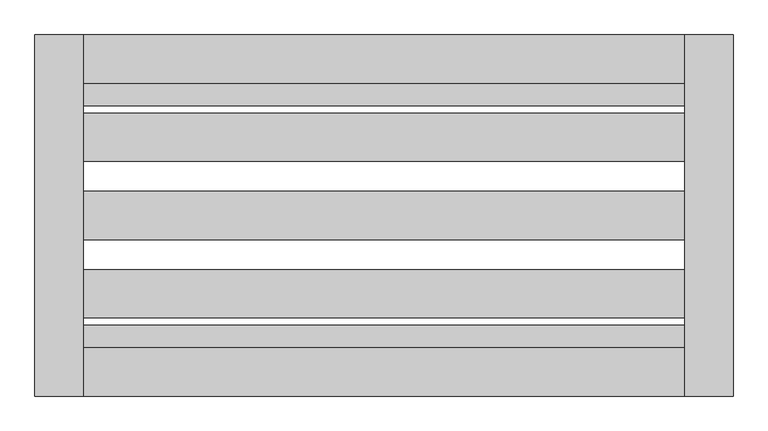
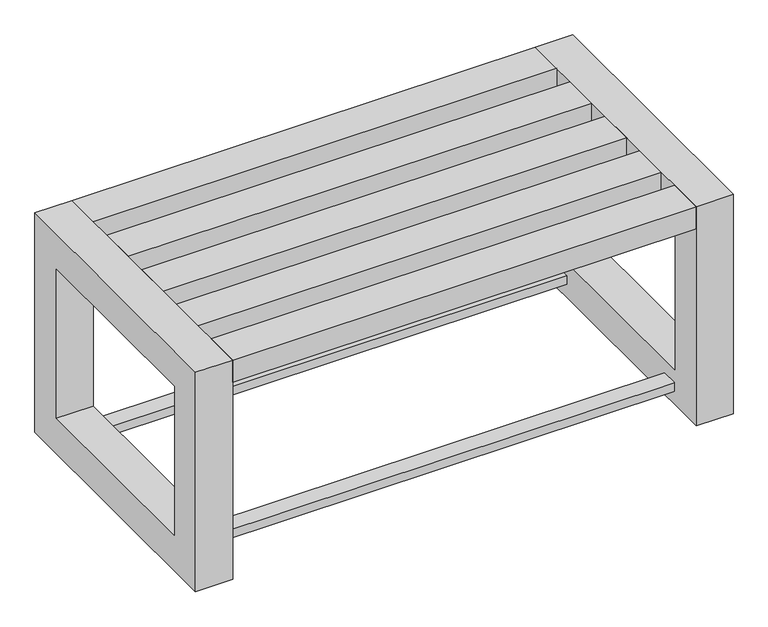
"""IFC4 building model written with IfcOpenShell, lengths in millimetres: furniture geometry."""

import ifcopenshell
import ifcopenshell.guid

model = None  # the IFC model being written
_history = None  # IfcOwnerHistory: only IFC2X3 demands one
_inside = {}  # id of a spatial element -> (the spatial element, [elements in it])
_under = {}  # id of a project, library or spatial element -> (it, [spatial elements below it])
_declared = {}  # id of a project -> (the project, [libraries it declares])
_typed = {}  # id of a type object -> (the type object, [elements of that type])
_made_of = {}  # id of a material, layer set ... -> (it, [elements and type objects made of it])


def new_model(schema):
    """Start an empty IFC model of exactly this schema.

    Asked for "IFC4X3", IfcOpenShell would pick the latest addendum, in which some entities
    have other attributes; the version numbers below select the first issue.
    IFC2X3 requires an IfcOwnerHistory on every rooted entity: one is made here for all.
    """
    global model, _history
    if schema == "IFC4X3":
        model = ifcopenshell.file(schema_version=(4, 3, 0, 0))
    else:
        model = ifcopenshell.file(schema=schema)
    _inside.clear()
    _under.clear()
    _declared.clear()
    _typed.clear()
    _made_of.clear()
    _history = None
    if model.schema == "IFC2X3":
        org = make("IfcOrganization", Name="unknown")
        user = make(
            "IfcPersonAndOrganization",
            ThePerson=make("IfcPerson", FamilyName="unknown"),
            TheOrganization=org,
        )
        app = make(
            "IfcApplication",
            ApplicationDeveloper=org,
            Version="unknown",
            ApplicationFullName="unknown",
            ApplicationIdentifier="unknown",
        )
        _history = make(
            "IfcOwnerHistory",
            OwningUser=user,
            OwningApplication=app,
            ChangeAction="ADDED",
            CreationDate=0,
        )
    return model


def make(cls, **values):
    """One entity of the class cls with the attributes given. An attribute that is None is left unset."""
    return model.create_entity(
        cls, **{name: value for name, value in values.items() if value is not None}
    )


def rooted(cls, **values):
    """An entity with a GlobalId (a new one), such as an element, a storey or a relation."""
    return make(cls, GlobalId=ifcopenshell.guid.new(), OwnerHistory=_history, **values)


def si_unit(unit_type, name, prefix=None):
    """IfcSIUnit, for example si_unit("LENGTHUNIT", "METRE", prefix="MILLI")."""
    return make("IfcSIUnit", UnitType=unit_type, Prefix=prefix, Name=name)


def assignment(units):
    """IfcUnitAssignment: the units of a project."""
    return None if units is None else make("IfcUnitAssignment", Units=units)


def point(xyz):
    """IfcCartesianPoint."""
    return None if xyz is None else make("IfcCartesianPoint", Coordinates=xyz)


def direction(xyz):
    """IfcDirection."""
    return None if xyz is None else make("IfcDirection", DirectionRatios=xyz)


def frame(location, z_axis=None, x_axis=None):
    """IfcAxis2Placement3D, a coordinate frame: its origin and axes. An axis left out is left unset."""
    return make(
        "IfcAxis2Placement3D",
        Location=point(location),
        Axis=direction(z_axis),
        RefDirection=direction(x_axis),
    )


def origin():
    """The frame at (0, 0, 0) with its axes left unset."""
    return frame((0.0, 0.0, 0.0))


def place(relative_to, where):
    """IfcLocalPlacement: puts the frame where relative to a parent placement (None: the world)."""
    return make(
        "IfcLocalPlacement", PlacementRelTo=relative_to, RelativePlacement=where
    )


def context(
    kind, dimensions, precision=None, world=None, true_north=None, identifier=None
):
    """IfcGeometricRepresentationContext, for example the 3D "Model" context."""
    return make(
        "IfcGeometricRepresentationContext",
        ContextIdentifier=identifier,
        ContextType=kind,
        CoordinateSpaceDimension=dimensions,
        Precision=precision,
        WorldCoordinateSystem=world,
        TrueNorth=true_north,
    )


def project(units=None, contexts=None):
    """IfcProject with its units and contexts."""
    return rooted(
        "IfcProject",
        Name="project",
        RepresentationContexts=contexts,
        UnitsInContext=assignment(units),
    )


def spatial(cls, under=None, at=None, **own):
    """A site, building, storey or space (cls), placed at a placement, below another one or the project."""
    s = rooted(cls, ObjectPlacement=at, **own)
    if under is not None:
        _under.setdefault(under.id(), (under, []))[1].append(s)
    return s


def polyline(points):
    """IfcPolyline through the points."""
    return make("IfcPolyline", Points=[point(p) for p in points])


def outline(outer, holes=None, kind="AREA"):
    """IfcArbitraryClosedProfileDef: a profile drawn as a closed curve; with holes, ...WithVoids."""
    if holes is None:
        return make("IfcArbitraryClosedProfileDef", ProfileType=kind, OuterCurve=outer)
    return make(
        "IfcArbitraryProfileDefWithVoids",
        ProfileType=kind,
        OuterCurve=outer,
        InnerCurves=holes,
    )


def extrude(swept, where, along, depth):
    """IfcExtrudedAreaSolid: the profile swept, set in the frame where, extruded along a direction by depth."""
    return make(
        "IfcExtrudedAreaSolid",
        SweptArea=swept,
        Position=where,
        ExtrudedDirection=direction(along),
        Depth=depth,
    )


def shape(context_of_items, identifier, shape_type, items):
    """IfcShapeRepresentation: the items that make up one representation, for example the "Body"."""
    return make(
        "IfcShapeRepresentation",
        ContextOfItems=context_of_items,
        RepresentationIdentifier=identifier,
        RepresentationType=shape_type,
        Items=items,
    )


def source(mapping_origin, context_of_items, identifier, shape_type, items):
    """IfcRepresentationMap: a shape defined once, which mapped items show again and again."""
    return make(
        "IfcRepresentationMap",
        MappingOrigin=mapping_origin,
        MappedRepresentation=shape(context_of_items, identifier, shape_type, items),
    )


def transform(
    local_origin,
    x_axis=None,
    y_axis=None,
    z_axis=None,
    scale=None,
    scale2=None,
    scale3=None,
    uniform=True,
):
    """IfcCartesianTransformationOperator3D, or its non-uniform kind. x_axis, y_axis, z_axis: its Axis1, 2, 3."""
    if uniform:
        return make(
            "IfcCartesianTransformationOperator3D",
            Axis1=direction(x_axis),
            Axis2=direction(y_axis),
            LocalOrigin=point(local_origin),
            Scale=scale,
            Axis3=direction(z_axis),
        )
    return make(
        "IfcCartesianTransformationOperator3DnonUniform",
        Axis1=direction(x_axis),
        Axis2=direction(y_axis),
        LocalOrigin=point(local_origin),
        Scale=scale,
        Axis3=direction(z_axis),
        Scale2=scale2,
        Scale3=scale3,
    )


def mapped(mapping_source, mapping_target):
    """IfcMappedItem: shows the shape of a source again, moved by a transform."""
    return make(
        "IfcMappedItem", MappingSource=mapping_source, MappingTarget=mapping_target
    )


def made_of(thing, what):
    """Note that an element or type object is made of a material, layer set ...; save() writes the relation."""
    if what is not None:
        _made_of.setdefault(what.id(), (what, []))[1].append(thing)
    return thing


def element(
    cls,
    number,
    at=None,
    inside=None,
    cuts=None,
    type_object=None,
    material=None,
    context=None,
    identifier="Body",
    shape_type=None,
    held_by="IfcProductDefinitionShape",
    body=None,
    shapes=None,
    **own,
):
    """One element of the class cls, such as IfcWall. Its Tag is "e" and its number.

    at: its placement. inside: the storey or other place that contains it. cuts: it is an
    opening in that element (IfcRelVoidsElement). A single representation is given by context,
    identifier, shape_type and body (its items); several are given by shapes. held_by: the class
    of the entity that holds the representations. save() writes the other relations.
    """
    e = rooted(cls, Tag="e%d" % number, ObjectPlacement=at, **own)
    if body is not None:
        shapes = [shape(context, identifier, shape_type, body)]
    if shapes is not None:
        e.Representation = make(held_by, Representations=shapes)
    if inside is not None:
        _inside.setdefault(inside.id(), (inside, []))[1].append(e)
    if cuts is not None:
        rooted(
            "IfcRelVoidsElement", RelatingBuildingElement=cuts, RelatedOpeningElement=e
        )
    if type_object is not None:
        _typed.setdefault(type_object.id(), (type_object, []))[1].append(e)
    return made_of(e, material)


def aggregate(whole, parts):
    """IfcRelAggregates: a whole, such as a stair, and the parts it consists of."""
    return rooted("IfcRelAggregates", RelatingObject=whole, RelatedObjects=parts)


def save(model, path):
    """Write the relations noted so far, then the file.

    IfcRelAggregates (storeys below a building ...), IfcRelContainedInSpatialStructure (elements
    in a storey), IfcRelDefinesByType, IfcRelAssociatesMaterial and IfcRelDeclares: one each for
    every whole, place, type object, material and project.
    """
    for whole, parts in _under.values():
        aggregate(whole, parts)
    for where, things in _inside.values():
        rooted(
            "IfcRelContainedInSpatialStructure",
            RelatedElements=things,
            RelatingStructure=where,
        )
    for kind, things in _typed.values():
        rooted("IfcRelDefinesByType", RelatedObjects=things, RelatingType=kind)
    for what, things in _made_of.values():
        rooted("IfcRelAssociatesMaterial", RelatedObjects=things, RelatingMaterial=what)
    for by, libraries in _declared.values():
        rooted("IfcRelDeclares", RelatingContext=by, RelatedDefinitions=libraries)
    model.write(path)


def furniture_0e994869(model_context):
    return source(origin(), model_context, "Body", "SweptSolid", [
        extrude(outline(polyline([(-459.95672, 1106.5928463), (-1459.95672, 1106.5928463), (-1459.95672, 1144.0928463), (-459.95672, 1144.0928463), (-459.95672, 1106.5928463)])), frame((0.0, 0.0, 30.0), z_axis=(0.0, 0.0, 1.0), x_axis=(1.0, 0.0, 0.0)), (0.0, 0.0, 1.0), 20.0),
        extrude(outline(polyline([(-459.95672, 704.0928463), (-1459.95672, 704.0928463), (-1459.95672, 741.5928463), (-459.95672, 741.5928463), (-459.95672, 704.0928463)])), frame((0.0, 0.0, 30.0), z_axis=(0.0, 0.0, 1.0), x_axis=(1.0, 0.0, 0.0)), (0.0, 0.0, 1.0), 20.0),
        extrude(outline(polyline([(624.0928463, 500.0), (1224.0928463, 500.0), (1224.0928463, 0.0), (624.0928463, 0.0), (624.0928463, 500.0)]), holes=[polyline([(704.0928463, 420.0), (704.0928463, 80.0), (1144.0928463, 80.0), (1144.0928463, 420.0), (704.0928463, 420.0)])]), frame((-1539.95672, 0.0, 0.0), z_axis=(1.0, 0.0, 0.0), x_axis=(0.0, 1.0, 0.0)), (0.0, 0.0, 1.0), 80.0),
        extrude(outline(polyline([(624.0928463, 500.0), (1224.0928463, 500.0), (1224.0928463, 0.0), (624.0928463, 0.0), (624.0928463, 500.0)]), holes=[polyline([(1144.0928463, 420.0), (704.0928463, 420.0), (704.0928463, 80.0), (1144.0928463, 80.0), (1144.0928463, 420.0)])]), frame((-459.95672, 0.0, 0.0), z_axis=(1.0, 0.0, 0.0), x_axis=(0.0, 1.0, 0.0)), (0.0, 0.0, 1.0), 80.0),
        extrude(outline(polyline([(-1459.95672, 624.0928463), (-1459.95672, 704.0928463), (-459.95672, 704.0928463), (-459.95672, 624.0928463), (-1459.95672, 624.0928463)])), frame((0.0, 0.0, 450.0), z_axis=(0.0, 0.0, 1.0), x_axis=(1.0, 0.0, 0.0)), (0.0, 0.0, 1.0), 50.0),
        extrude(outline(polyline([(-1459.95672, 754.0928463), (-1459.95672, 834.0928463), (-459.95672, 834.0928463), (-459.95672, 754.0928463), (-1459.95672, 754.0928463)])), frame((0.0, 0.0, 450.0), z_axis=(0.0, 0.0, 1.0), x_axis=(1.0, 0.0, 0.0)), (0.0, 0.0, 1.0), 50.0),
        extrude(outline(polyline([(-1459.95672, 884.0928463), (-1459.95672, 964.0928463), (-459.95672, 964.0928463), (-459.95672, 884.0928463), (-1459.95672, 884.0928463)])), frame((0.0, 0.0, 450.0), z_axis=(0.0, 0.0, 1.0), x_axis=(1.0, 0.0, 0.0)), (0.0, 0.0, 1.0), 50.0),
        extrude(outline(polyline([(-459.95672, 1094.0928463), (-459.95672, 1014.0928463), (-1459.95672, 1014.0928463), (-1459.95672, 1094.0928463), (-459.95672, 1094.0928463)])), frame((0.0, 0.0, 450.0), z_axis=(0.0, 0.0, 1.0), x_axis=(1.0, 0.0, 0.0)), (0.0, 0.0, 1.0), 50.0),
        extrude(outline(polyline([(-1459.95672, 1144.0928463), (-1459.95672, 1224.0928463), (-459.95672, 1224.0928463), (-459.95672, 1144.0928463), (-1459.95672, 1144.0928463)])), frame((0.0, 0.0, 450.0), z_axis=(0.0, 0.0, 1.0), x_axis=(1.0, 0.0, 0.0)), (0.0, 0.0, 1.0), 50.0),
    ])


if __name__ == "__main__":
    model = new_model("IFC4")
    model_context = context("Model", 3, world=origin())
    ifc_project = project(units=[si_unit("LENGTHUNIT", "METRE", prefix="MILLI")], contexts=[model_context])
    site = spatial("IfcSite", under=ifc_project)
    building = spatial("IfcBuilding", under=site)
    placement = place(None, origin())
    furniture_shape = furniture_0e994869(model_context)
    element("IfcFurniture", 1, at=placement, inside=building, context=model_context, shape_type="MappedRepresentation", body=[
        mapped(furniture_shape, transform((0.0, 0.0, 0.0), x_axis=(1.0, 0.0, 0.0), y_axis=(0.0, 1.0, 0.0), z_axis=(0.0, 0.0, 1.0))),
    ])
    save(model, "model.ifc")
